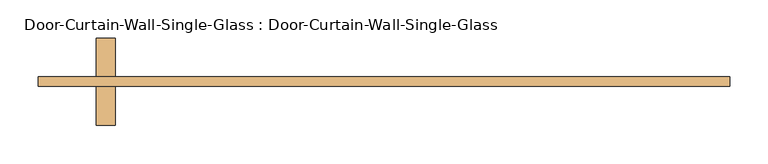
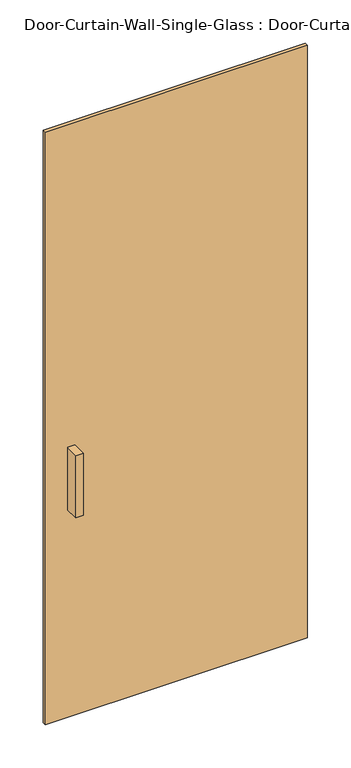
"""IFC4 building model written with IfcOpenShell, lengths in millimetres: door geometry, Door-Curtain-Wall-Single-Glass : Door-Curtain-Wall-Single-Glass."""

from ifc_helpers import new_model, si_unit, frame, origin, origin_with_axes, place, context, project, spatial, polyline, outline, extrude, source, transform, mapped, element, save


def door_curtain_wall_single_glass_door_curtain_wall_single_5171d168(model_context):
    return source(origin(), model_context, "Body", "SweptSolid", [
        extrude(outline(polyline([(454.025, -50.8), (-454.025, -50.8), (-454.025, -38.1), (454.025, -38.1), (454.025, -50.8)])), origin_with_axes(), (0.0, 0.0, 1.0), 2171.7),
        extrude(outline(polyline([(-352.425, 12.7), (-352.425, -38.1), (-377.825, -38.1), (-377.825, 12.7), (-352.425, 12.7)])), frame((0.0, 0.0, 762.0), z_axis=(0.0, 0.0, 1.0), x_axis=(1.0, 0.0, 0.0)), (0.0, 0.0, 1.0), 228.6),
        extrude(outline(polyline([(-377.825, -101.6), (-377.825, -50.8), (-352.425, -50.8), (-352.425, -101.6), (-377.825, -101.6)])), frame((0.0, 0.0, 762.0), z_axis=(0.0, 0.0, 1.0), x_axis=(1.0, 0.0, 0.0)), (0.0, 0.0, 1.0), 228.6),
    ])


if __name__ == "__main__":
    model = new_model("IFC4")
    model_context = context("Model", 3, world=origin())
    ifc_project = project(units=[si_unit("LENGTHUNIT", "METRE", prefix="MILLI")], contexts=[model_context])
    site = spatial("IfcSite", under=ifc_project)
    building = spatial("IfcBuilding", under=site)
    placement = place(None, origin())
    door_curtain_wall_single_glass_door_curtain_wall_single_shape = door_curtain_wall_single_glass_door_curtain_wall_single_5171d168(model_context)
    element("IfcDoor", 1, ObjectType="Door-Curtain-Wall-Single-Glass : Door-Curtain-Wall-Single-Glass", at=placement, inside=building, context=model_context, shape_type="MappedRepresentation", body=[
        mapped(door_curtain_wall_single_glass_door_curtain_wall_single_shape, transform((0.0, 0.0, 0.0), x_axis=(1.0, 0.0, 0.0), y_axis=(0.0, 1.0, 0.0), z_axis=(0.0, 0.0, 1.0))),
    ])
    save(model, "model.ifc")
